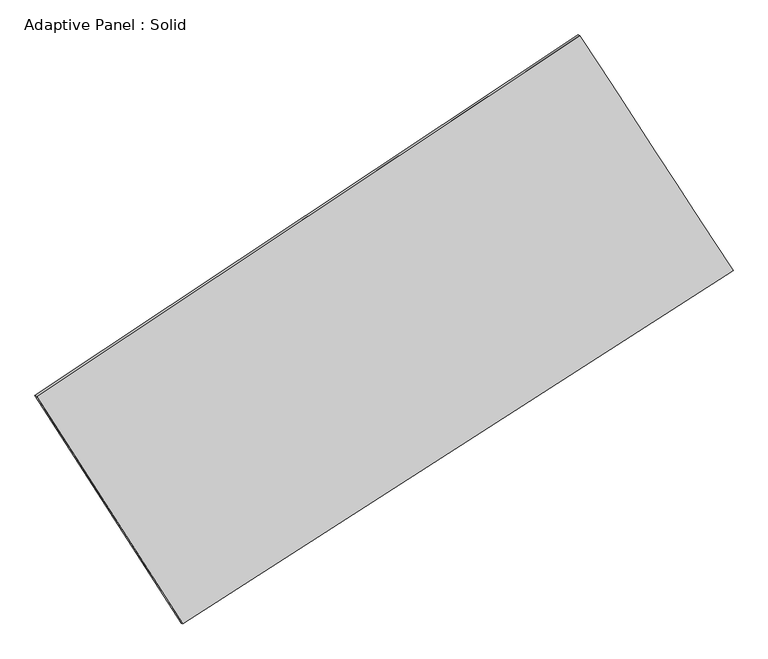
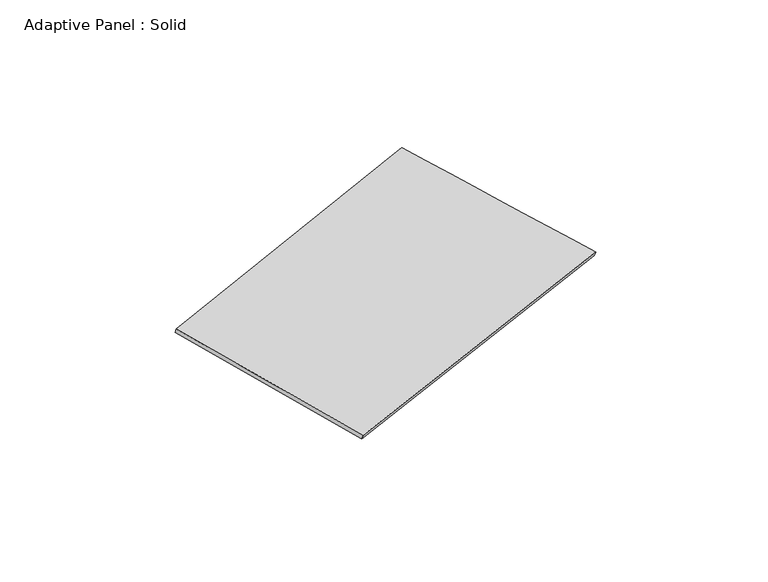
"""IFC4 building model written with IfcOpenShell, lengths in millimetres: plate geometry, Adaptive Panel : Solid."""

from ifc_helpers import new_model, si_unit, frame, origin, place, context, project, spatial, source, transform, mapped, element, save
from ifc_brep_helpers import plane_surface, spline_surface, advanced_brep


def adaptive_panel_solid_66f12fd9(model_context):
    return source(origin(), model_context, "Body", "AdvancedBrep", [
        advanced_brep(
        [(1095.8580915, 2529.9615976, 667.397276), (-3727.4997501, -674.9907625, 1764.1994397), (-3712.8333943, -681.3708559, 1811.5723477), (1110.5244473, 2523.5815042, 714.770184), (-2427.8735796, -2697.6480508, 1053.7894006), (-2413.2072237, -2704.0281442, 1101.1623087), (2456.2246601, 442.4286428, -0.2635961), (2470.891016, 436.0485493, 47.1093119)],
        [
            (0, 1),
            (1, 2),
            (2, 3),
            (3, 0),
            (1, 4),
            (4, 5),
            (5, 2),
            (4, 6),
            (6, 7),
            (7, 5),
            (6, 0),
            (3, 7),
        ],
        [
            plane_surface(frame((-1315.8208293, 927.4854176, 1215.7983578), z_axis=(-0.49145580870792527, 0.8299478833081292, 0.2639274504093795), x_axis=(-0.8183476783314443, -0.5437633717415035, 0.18608727232631106))),
            plane_surface(frame((-3077.6866649, -1686.3194066, 1408.9944201), z_axis=(-0.8006566556654108, -0.5743426618714296, 0.17052690841366067), x_axis=(0.5184070298768981, -0.806816437695318, -0.2833749940253198))),
            plane_surface(frame((14.1755403, -1127.609704, 526.7629023), z_axis=(0.4813566284186721, -0.8365489988713883, -0.2616898331320626), x_axis=(0.8276287237077172, 0.5320977463325804, -0.17861322471117366))),
            plane_surface(frame((1776.0413758, 1486.1951202, 333.56684), z_axis=(0.7998290216975756, 0.5756214486577136, -0.170098453536458), x_axis=(-0.5273625224773857, 0.8092573503258653, 0.2588267969701914))),
            spline_surface(1, 1, [[(-3712.8333943, -681.3708559, 1811.5723477), (1110.5244473, 2523.5815042, 714.770184)], [(-2413.2072237, -2704.0281442, 1101.1623087), (2470.891016, 436.0485493, 47.1093119)]], [2, 2], [2, 2], [0.0, 1.0], [0.0, 1.0]),
            spline_surface(1, 1, [[(2456.2246601, 442.4286428, -0.2635961), (1095.8580915, 2529.9615976, 667.397276)], [(-2427.8735796, -2697.6480508, 1053.7894006), (-3727.4997501, -674.9907625, 1764.1994397)]], [2, 2], [2, 2], [0.0, 1.0], [0.0, 1.0]),
        ],
        [
            (0, [[1, 2, 3, 4]]),
            (1, [[5, 6, 7, -2]]),
            (2, [[8, 9, 10, -6]]),
            (3, [[11, -4, 12, -9]]),
            (4, [[-3, -7, -10, -12]]),
            (5, [[-11, -8, -5, -1]]),
        ],
    ),
    ])


if __name__ == "__main__":
    model = new_model("IFC4")
    model_context = context("Model", 3, world=origin())
    ifc_project = project(units=[si_unit("LENGTHUNIT", "METRE", prefix="MILLI")], contexts=[model_context])
    site = spatial("IfcSite", under=ifc_project)
    building = spatial("IfcBuilding", under=site)
    placement = place(None, origin())
    adaptive_panel_solid_shape = adaptive_panel_solid_66f12fd9(model_context)
    element("IfcPlate", 1, ObjectType="Adaptive Panel : Solid", at=placement, inside=building, context=model_context, shape_type="MappedRepresentation", body=[
        mapped(adaptive_panel_solid_shape, transform((0.0, 0.0, 0.0), x_axis=(1.0, 0.0, 0.0), y_axis=(0.0, 1.0, 0.0), z_axis=(0.0, 0.0, 1.0))),
    ])
    save(model, "model.ifc")
